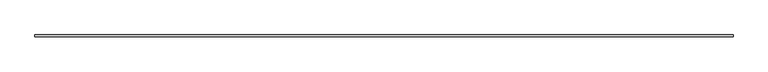
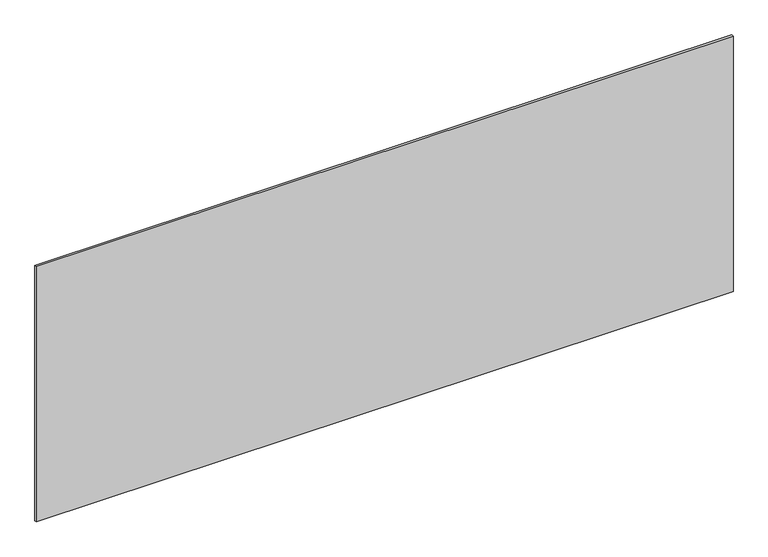
"""IFC4 building model written with IfcOpenShell, lengths in millimetres: plate geometry."""

from ifc_helpers import new_model, si_unit, origin, origin_with_axes, place, context, project, spatial, polyline, outline, extrude, source, transform, mapped, element, save


def plate_36617c12(model_context):
    return source(origin(), model_context, "Body", "SweptSolid", [
        extrude(outline(polyline([(1715.0, -5.0), (-1715.0, -5.0), (-1715.0, 5.0), (1715.0, 5.0), (1715.0, -5.0)])), origin_with_axes(), (0.0, 0.0, 1.0), 1329.6791609),
    ])


if __name__ == "__main__":
    model = new_model("IFC4")
    model_context = context("Model", 3, world=origin())
    ifc_project = project(units=[si_unit("LENGTHUNIT", "METRE", prefix="MILLI")], contexts=[model_context])
    site = spatial("IfcSite", under=ifc_project)
    building = spatial("IfcBuilding", under=site)
    placement = place(None, origin())
    plate_shape = plate_36617c12(model_context)
    element("IfcPlate", 1, at=placement, inside=building, context=model_context, shape_type="MappedRepresentation", body=[
        mapped(plate_shape, transform((0.0, 0.0, 0.0), x_axis=(1.0, 0.0, 0.0), y_axis=(0.0, 1.0, 0.0), z_axis=(0.0, 0.0, 1.0))),
    ])
    save(model, "model.ifc")
